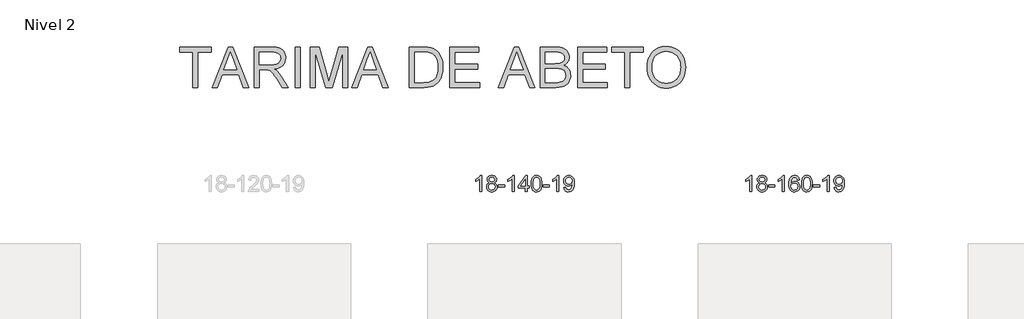
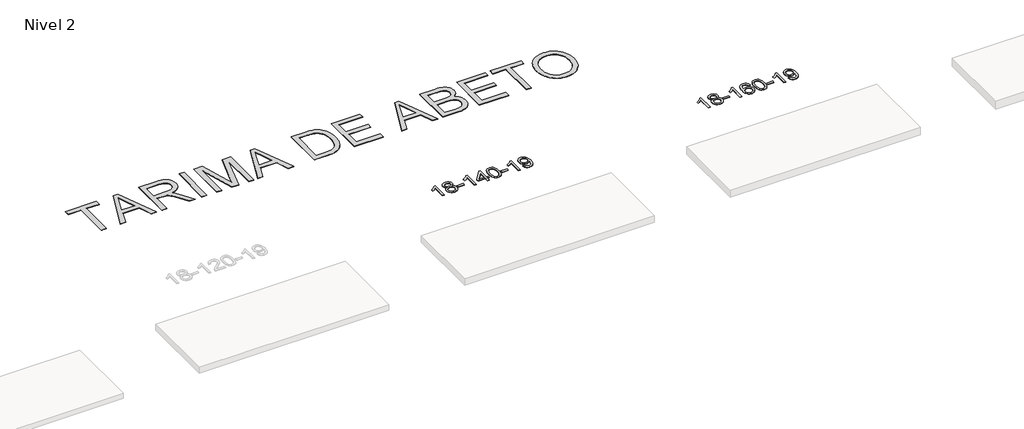
# One storey, part 46 of 51: 3 proxies.
"""IFC4 building model written with IfcOpenShell, lengths in millimetres."""

from ifc_helpers import new_model, si_unit, frame, origin, place, context, project, spatial, polyline, outline, extrude, element, save

model = new_model("IFC4")

# Units and contexts
model_context = context("Model", 3, world=origin())
ifc_project = project(units=[si_unit("LENGTHUNIT", "METRE", prefix="MILLI")], contexts=[model_context])

# Site, building, storey
site = spatial("IfcSite", under=ifc_project)
building = spatial("IfcBuilding", under=site)
storey = spatial("IfcBuildingStorey", under=building, Name="Nivel 2", Elevation=3000.0)

# Proxies
placement = place(None, origin())
element("IfcBuildingElementProxy", 1, Name="Texto de modelo 1", ObjectType="Texto de modelo 1", at=placement, inside=storey, context=model_context, shape_type="SweptSolid", body=[
    extrude(outline(polyline([(31530.5538842, -16247.1632381), (31480.3257291, -16247.1632381), (31480.3257291, -15934.0220838), (31459.3564554, -15950.9814438), (31432.7463244, -15967.9162783), (31379.869419, -15993.2756105), (31379.869419, -15945.7943077), (31419.3186316, -15924.3345246), (31453.494869, -15898.8035142), (31480.4360937, -15871.6538229), (31498.1802686, -15845.3379975), (31530.5538842, -15845.3379975), (31530.5538842, -16247.1632381)])), frame((0.0, 0.0, 3000.0), z_axis=(0.0, 0.0, 1.0), x_axis=(1.0, 0.0, 0.0)), (0.0, 0.0, 1.0), 10.0),
    extrude(outline(polyline([(31723.0297441, -16025.8454298), (31696.1375702, -16012.601678), (31677.2652239, -15994.6490366), (31666.1183994, -15972.3553877), (31662.4027913, -15946.0886133), (31664.4261423, -15925.6037175), (31670.4961952, -15906.8233417), (31680.61295, -15889.7474857), (31694.7764069, -15874.3761497), (31712.3059839, -15861.6719581), (31732.5210996, -15852.5975356), (31755.4217538, -15847.152882), (31781.0079465, -15845.3379975), (31806.7167666, -15847.1958016), (31829.7890991, -15852.7692138), (31850.2249439, -15862.0582342), (31868.0243011, -15875.0628627), (31882.4452753, -15890.7346357), (31892.7459712, -15908.0250895), (31898.9263887, -15926.9342241), (31900.9865279, -15947.4620394), (31897.3199707, -15972.8826853), (31886.320299, -15994.7961894), (31867.8648856, -16012.6384662), (31841.8311031, -16025.8454298), (31872.7454534, -16041.7747202), (31895.2475688, -16065.2333288), (31908.9695672, -16095.0930841), (31913.5435667, -16130.2258146), (31911.274961, -16155.2785785), (31904.4691441, -16178.2466777), (31893.1261159, -16199.1301123), (31877.2458765, -16217.9288823), (31857.6622916, -16233.4657652), (31835.2092272, -16244.5635387), (31809.8866831, -16251.2222028), (31781.6946596, -16253.4417575), (31753.502636, -16251.2130058), (31728.180092, -16244.5267505), (31705.7270276, -16233.3829917), (31686.1434427, -16217.7817295), (31670.2632032, -16198.8511351), (31658.9201751, -16177.7193802), (31652.1143582, -16154.3864646), (31649.8457525, -16128.8523885), (31654.603693, -16092.3584946), (31668.8775144, -16062.3393238), (31691.9314528, -16039.8249457), (31723.0297441, -16025.8454298)]), holes=[polyline([(31712.6309464, -15947.5601413), (31717.0823185, -15969.4859082), (31730.4364349, -15986.9970911), (31752.3008882, -15998.4750094), (31782.2832708, -16002.3009821), (31811.5666776, -15998.4995349), (31833.100037, -15987.095193), (31846.3437889, -15970.1726212), (31850.7583728, -15949.8164842), (31846.1966361, -15928.6877949), (31832.5114259, -15911.2134001), (31810.6837608, -15899.4779645), (31781.6946596, -15895.5661526), (31752.5216174, -15899.3921254), (31730.7307405, -15910.8700436), (31717.1558949, -15927.6945135), (31712.6309464, -15947.5601413)]), polyline([(31700.0739076, -16127.0865549), (31702.170835, -16146.3022578), (31708.4616171, -16164.904824), (31720.0744254, -16181.12842), (31738.1374314, -16193.2072122), (31759.7688927, -16200.7120049), (31782.087067, -16203.2136024), (31816.2755671, -16197.9528899), (31830.1692438, -16191.3769993), (31841.9292049, -16182.1707523), (31857.9688599, -16158.2706854), (31863.3154116, -16128.6561848), (31857.7971817, -16098.5389121), (31841.2424919, -16074.1115476), (31829.1636997, -16064.6692431), (31815.0002429, -16057.9247398), (31780.4193353, -16052.5291372), (31746.7090818, -16057.8511634), (31732.971755, -16064.5036962), (31721.3129614, -16073.817242), (31705.3836711, -16097.7786226), (31700.0739076, -16127.0865549)])]), frame((0.0, 0.0, 3000.0), z_axis=(0.0, 0.0, 1.0), x_axis=(1.0, 0.0, 0.0)), (0.0, 0.0, 1.0), 10.0),
    extrude(outline(polyline([(31944.9361636, -16127.8713698), (31944.9361636, -16077.6432148), (32101.8991482, -16077.6432148), (32101.8991482, -16127.8713698), (31944.9361636, -16127.8713698)])), frame((0.0, 0.0, 3000.0), z_axis=(0.0, 0.0, 1.0), x_axis=(1.0, 0.0, 0.0)), (0.0, 0.0, 1.0), 10.0),
    extrude(outline(polyline([(32334.2043654, -16247.1632381), (32283.9762103, -16247.1632381), (32283.9762103, -15934.0220838), (32263.0069366, -15950.9814438), (32236.3968056, -15967.9162783), (32183.5199002, -15993.2756105), (32183.5199002, -15945.7943077), (32222.9691128, -15924.3345246), (32257.1453502, -15898.8035142), (32284.0865749, -15871.6538229), (32301.8307498, -15845.3379975), (32334.2043654, -15845.3379975), (32334.2043654, -16247.1632381)])), frame((0.0, 0.0, 3000.0), z_axis=(0.0, 0.0, 1.0), x_axis=(1.0, 0.0, 0.0)), (0.0, 0.0, 1.0), 10.0),
    extrude(outline(polyline([(32616.7377377, -16247.1632381), (32616.7377377, -16152.9854474), (32434.6606756, -16152.9854474), (32434.6606756, -16102.7572923), (32629.2947765, -15851.6165169), (32666.9658928, -15851.6165169), (32666.9658928, -16102.7572923), (32717.1940479, -16102.7572923), (32717.1940479, -16152.9854474), (32666.9658928, -16152.9854474), (32666.9658928, -16247.1632381), (32616.7377377, -16247.1632381)]), holes=[polyline([(32616.7377377, -16102.7572923), (32616.7377377, -15947.5601413), (32496.4648507, -16102.7572923), (32616.7377377, -16102.7572923)])]), frame((0.0, 0.0, 3000.0), z_axis=(0.0, 0.0, 1.0), x_axis=(1.0, 0.0, 0.0)), (0.0, 0.0, 1.0), 10.0),
    extrude(outline(polyline([(32761.1436835, -16049.4879794), (32764.8347662, -15985.1699439), (32775.9080143, -15933.874931), (32794.2530631, -15894.8181259), (32806.1111261, -15879.5847456), (32819.7595481, -15867.2147135), (32835.2443144, -15857.6436503), (32852.6114103, -15850.8071765), (32892.9925906, -15845.3379975), (32923.9437291, -15848.5753591), (32951.6575061, -15858.2874438), (32974.8340718, -15874.0941068), (32992.1735765, -15895.6152035), (33005.2701755, -15922.6667929), (33015.7180242, -15955.064934), (33022.5606293, -15996.2064038), (33024.8414977, -16049.4879794), (33021.1872032, -16113.4381329), (33010.2243197, -16164.6105184), (32991.9896355, -16203.7041118), (32980.1591637, -16218.9834773), (32966.5199387, -16231.4178887), (32951.0167783, -16241.0533313), (32933.5945001, -16247.9357903), (32892.9925906, -16253.4417575), (32865.3278646, -16251.0505246), (32840.8023982, -16243.8768256), (32819.4161916, -16231.9206608), (32801.1692446, -16215.18203), (32783.6580616, -16184.9237359), (32771.1500738, -16147.2219628), (32763.6452811, -16102.0767106), (32761.1436835, -16049.4879794)]), holes=[polyline([(32811.3718386, -16049.3898775), (32812.8433666, -16093.0544047), (32817.2579505, -16128.3986674), (32824.6155904, -16155.4226656), (32834.9162863, -16174.1263994), (32847.3752232, -16186.8520507), (32861.2075862, -16195.9418017), (32876.4133754, -16201.3956523), (32892.9925906, -16203.2136024), (32909.5718059, -16201.3895209), (32924.777595, -16195.9172762), (32938.609958, -16186.7968684), (32951.0688949, -16174.0282975), (32961.3695908, -16155.2939069), (32968.7272307, -16128.27604), (32973.1418146, -16092.9746969), (32974.6133426, -16049.3898775), (32973.1908656, -16006.881113), (32968.9234344, -15972.159184), (32961.8110492, -15945.2240906), (32951.8537098, -15926.0758327), (32939.6032394, -15912.7278477), (32925.6114609, -15903.1935726), (32909.8783742, -15897.4730076), (32892.4039794, -15895.5661526), (32875.9106033, -15897.2461471), (32860.9623316, -15902.2861304), (32847.5591642, -15910.6861026), (32835.7011012, -15922.4460637), (32825.0570488, -15943.2927101), (32817.4541543, -15971.3988946), (32812.8924175, -16006.764617), (32811.3718386, -16049.3898775)])]), frame((0.0, 0.0, 3000.0), z_axis=(0.0, 0.0, 1.0), x_axis=(1.0, 0.0, 0.0)), (0.0, 0.0, 1.0), 10.0),
    extrude(outline(polyline([(33056.2340946, -16127.8713698), (33056.2340946, -16077.6432148), (33213.1970792, -16077.6432148), (33213.1970792, -16127.8713698), (33056.2340946, -16127.8713698)])), frame((0.0, 0.0, 3000.0), z_axis=(0.0, 0.0, 1.0), x_axis=(1.0, 0.0, 0.0)), (0.0, 0.0, 1.0), 10.0),
    extrude(outline(polyline([(33445.5022964, -16247.1632381), (33395.2741414, -16247.1632381), (33395.2741414, -15934.0220838), (33374.3048676, -15950.9814438), (33347.6947367, -15967.9162783), (33294.8178312, -15993.2756105), (33294.8178312, -15945.7943077), (33334.2670438, -15924.3345246), (33368.4432812, -15898.8035142), (33395.384506, -15871.6538229), (33413.1286809, -15845.3379975), (33445.5022964, -15845.3379975), (33445.5022964, -16247.1632381)])), frame((0.0, 0.0, 3000.0), z_axis=(0.0, 0.0, 1.0), x_axis=(1.0, 0.0, 0.0)), (0.0, 0.0, 1.0), 10.0),
    extrude(outline(polyline([(33571.0726841, -16146.706928), (33621.3008392, -16140.4284086), (33629.8847524, -16168.9392632), (33643.8642682, -16188.3511698), (33662.8960301, -16199.4979943), (33686.6366815, -16203.2136024), (33707.9370491, -16200.8223695), (33727.2999047, -16193.6486706), (33743.3886107, -16182.4773207), (33754.8665289, -16168.0931346), (33771.2985914, -16124.4378045), (33776.7432449, -16096.0373145), (33778.5581294, -16066.1652965), (33778.2638238, -16056.35511), (33760.8630054, -16077.5941638), (33738.0911099, -16094.4186337), (33711.5913435, -16105.3815172), (33683.0069125, -16109.0358117), (33659.1466995, -16106.8039942), (33637.2056041, -16100.1085419), (33617.1836265, -16088.9494547), (33599.0807667, -16073.3267327), (33584.0803783, -16054.0558475), (33573.3658152, -16031.952271), (33566.9370774, -16007.0160031), (33564.7941647, -15979.2470438), (33567.0413106, -15950.5522482), (33573.7827482, -15924.8005085), (33585.0184774, -15901.9918248), (33600.7484984, -15882.1261971), (33619.8630337, -15866.0313598), (33641.2523061, -15854.5350474), (33664.9163154, -15847.63726), (33690.8550618, -15845.3379975), (33728.3177116, -15850.5864473), (33762.4203725, -15866.3317967), (33790.9434899, -15891.7892308), (33811.667509, -15926.1739346), (33824.2858614, -15973.7042884), (33828.4919789, -16038.5986723), (33824.2981241, -16107.4048682), (33811.7165599, -16160.5883419), (33790.8576508, -16200.5525893), (33777.3655786, -16216.4788141), (33761.8317614, -16229.7011061), (33744.5688987, -16240.0876411), (33725.8896904, -16247.5065947), (33684.2822368, -16253.4417575), (33661.7249391, -16251.6912524), (33641.3381452, -16246.4397369), (33623.1218551, -16237.6872111), (33607.0760687, -16225.433675), (33593.6054563, -16210.0102223), (33583.1146881, -16191.7479469), (33575.603764, -16170.6468488), (33571.0726841, -16146.706928)]), holes=[polyline([(33778.2638238, -15978.0698214), (33772.8436957, -15944.0284741), (33766.0685357, -15929.9508564), (33756.5833116, -15917.8352761), (33744.8540073, -15908.0925345), (33731.3466067, -15901.1334335), (33698.9975166, -15895.5661526), (33681.3882317, -15897.0652717), (33665.4466786, -15901.5626291), (33651.1728572, -15909.0582248), (33638.5667675, -15919.5520587), (33628.2660716, -15932.4309942), (33620.9084317, -15947.0818947), (33616.4938478, -15963.5047601), (33615.0223198, -15981.6995904), (33620.5896007, -16012.7365681), (33627.5487018, -16025.8546269), (33637.2914433, -16037.372399), (33649.413155, -16046.7503242), (33663.5091668, -16053.4488422), (33697.6240905, -16058.8076566), (33729.7156632, -16053.4488422), (33755.553242, -16037.372399), (33765.4891215, -16025.6277663), (33772.5861784, -16011.8291258), (33778.2638238, -15978.0698214)])]), frame((0.0, 0.0, 3000.0), z_axis=(0.0, 0.0, 1.0), x_axis=(1.0, 0.0, 0.0)), (0.0, 0.0, 1.0), 10.0),
])
element("IfcBuildingElementProxy", 2, Name="Texto de modelo 1", ObjectType="Texto de modelo 1", at=placement, inside=storey, context=model_context, shape_type="SweptSolid", body=[
    extrude(outline(polyline([(38245.494419, -16247.1632381), (38195.266264, -16247.1632381), (38195.266264, -15934.0220838), (38174.2969902, -15950.9814438), (38147.6868593, -15967.9162783), (38094.8099538, -15993.2756105), (38094.8099538, -15945.7943077), (38134.2591664, -15924.3345246), (38168.4354038, -15898.8035142), (38195.3766286, -15871.6538229), (38213.1208035, -15845.3379975), (38245.494419, -15845.3379975), (38245.494419, -16247.1632381)])), frame((0.0, 0.0, 3000.0), z_axis=(0.0, 0.0, 1.0), x_axis=(1.0, 0.0, 0.0)), (0.0, 0.0, 1.0), 10.0),
    extrude(outline(polyline([(38437.9702789, -16025.8454298), (38411.0781051, -16012.601678), (38392.2057587, -15994.6490366), (38381.0589343, -15972.3553877), (38377.3433261, -15946.0886133), (38379.3666771, -15925.6037175), (38385.43673, -15906.8233417), (38395.5534849, -15889.7474857), (38409.7169417, -15874.3761497), (38427.2465188, -15861.6719581), (38447.4616344, -15852.5975356), (38470.3622886, -15847.152882), (38495.9484814, -15845.3379975), (38521.6573014, -15847.1958016), (38544.7296339, -15852.7692138), (38565.1654787, -15862.0582342), (38582.9648359, -15875.0628627), (38597.3858102, -15890.7346357), (38607.686506, -15908.0250895), (38613.8669235, -15926.9342241), (38615.9270627, -15947.4620394), (38612.2605055, -15972.8826853), (38601.2608338, -15994.7961894), (38582.8054204, -16012.6384662), (38556.7716379, -16025.8454298), (38587.6859882, -16041.7747202), (38610.1881036, -16065.2333288), (38623.910102, -16095.0930841), (38628.4841015, -16130.2258146), (38626.2154958, -16155.2785785), (38619.4096789, -16178.2466777), (38608.0666507, -16199.1301123), (38592.1864113, -16217.9288823), (38572.6028264, -16233.4657652), (38550.149762, -16244.5635387), (38524.827218, -16251.2222028), (38496.6351944, -16253.4417575), (38468.4431708, -16251.2130058), (38443.1206268, -16244.5267505), (38420.6675624, -16233.3829917), (38401.0839775, -16217.7817295), (38385.2037381, -16198.8511351), (38373.8607099, -16177.7193802), (38367.054893, -16154.3864646), (38364.7862873, -16128.8523885), (38369.5442278, -16092.3584946), (38383.8180492, -16062.3393238), (38406.8719876, -16039.8249457), (38437.9702789, -16025.8454298)]), holes=[polyline([(38427.5714812, -15947.5601413), (38432.0228533, -15969.4859082), (38445.3769697, -15986.9970911), (38467.241423, -15998.4750094), (38497.2238056, -16002.3009821), (38526.5072124, -15998.4995349), (38548.0405719, -15987.095193), (38561.2843237, -15970.1726212), (38565.6989076, -15949.8164842), (38561.1371709, -15928.6877949), (38547.4519607, -15911.2134001), (38525.6242956, -15899.4779645), (38496.6351944, -15895.5661526), (38467.4621522, -15899.3921254), (38445.6712753, -15910.8700436), (38432.0964297, -15927.6945135), (38427.5714812, -15947.5601413)]), polyline([(38415.0144424, -16127.0865549), (38417.1113698, -16146.3022578), (38423.4021519, -16164.904824), (38435.0149602, -16181.12842), (38453.0779662, -16193.2072122), (38474.7094275, -16200.7120049), (38497.0276019, -16203.2136024), (38531.216102, -16197.9528899), (38545.1097786, -16191.3769993), (38556.8697398, -16182.1707523), (38572.9093947, -16158.2706854), (38578.2559464, -16128.6561848), (38572.7377165, -16098.5389121), (38556.1830267, -16074.1115476), (38544.1042345, -16064.6692431), (38529.9407777, -16057.9247398), (38495.3598702, -16052.5291372), (38461.6496167, -16057.8511634), (38447.9122898, -16064.5036962), (38436.2534963, -16073.817242), (38420.3242059, -16097.7786226), (38415.0144424, -16127.0865549)])]), frame((0.0, 0.0, 3000.0), z_axis=(0.0, 0.0, 1.0), x_axis=(1.0, 0.0, 0.0)), (0.0, 0.0, 1.0), 10.0),
    extrude(outline(polyline([(38659.8766984, -16127.8713698), (38659.8766984, -16077.6432148), (38816.839683, -16077.6432148), (38816.839683, -16127.8713698), (38659.8766984, -16127.8713698)])), frame((0.0, 0.0, 3000.0), z_axis=(0.0, 0.0, 1.0), x_axis=(1.0, 0.0, 0.0)), (0.0, 0.0, 1.0), 10.0),
    extrude(outline(polyline([(39049.1449002, -16247.1632381), (38998.9167452, -16247.1632381), (38998.9167452, -15934.0220838), (38977.9474714, -15950.9814438), (38951.3373404, -15967.9162783), (38898.460435, -15993.2756105), (38898.460435, -15945.7943077), (38937.9096476, -15924.3345246), (38972.085885, -15898.8035142), (38999.0271098, -15871.6538229), (39016.7712847, -15845.3379975), (39049.1449002, -15845.3379975), (39049.1449002, -16247.1632381)])), frame((0.0, 0.0, 3000.0), z_axis=(0.0, 0.0, 1.0), x_axis=(1.0, 0.0, 0.0)), (0.0, 0.0, 1.0), 10.0),
    extrude(outline(polyline([(39425.8560633, -15952.0728271), (39375.6279082, -15958.3513465), (39367.5345043, -15933.4579981), (39356.5961463, -15916.4618499), (39333.8119881, -15900.7900769), (39306.2698894, -15895.5661526), (39282.9216454, -15898.6073104), (39260.9468276, -15907.7307839), (39242.0744812, -15926.9464868), (39226.6602256, -15953.3972023), (39216.2491652, -15990.8108012), (39212.3864042, -16042.9151544), (39232.5340748, -16019.4074949), (39256.6793964, -16002.8405424), (39283.4734684, -15993.0180931), (39311.5673901, -15989.7439434), (39335.700449, -15991.9818922), (39357.9695725, -15998.6957386), (39378.3747604, -16009.8854826), (39396.916013, -16025.5511242), (39412.3241372, -16044.7606958), (39423.3299403, -16066.5822294), (39429.9334221, -16091.0157253), (39432.1345827, -16118.0611833), (39427.9897789, -16154.0277797), (39415.5553674, -16187.3701512), (39395.861418, -16215.6480139), (39369.938, -16236.4210839), (39338.962336, -16249.1865891), (39304.1116484, -16253.4417575), (39274.1691196, -16250.6213289), (39247.1267273, -16242.160043), (39222.9844714, -16228.0578999), (39201.7423518, -16208.3148994), (39184.4243069, -16182.0971759), (39172.0542748, -16148.5708634), (39164.6322556, -16107.735962), (39162.1582492, -16059.5924715), (39164.9051014, -16005.6180515), (39173.1456581, -15959.5530943), (39186.8799192, -15921.3976), (39206.1078848, -15891.1515687), (39226.9483999, -15871.1081313), (39251.1121156, -15856.7913903), (39278.599032, -15848.2013457), (39309.4091491, -15845.3379975), (39332.5427952, -15847.1099625), (39353.4814121, -15852.4258573), (39372.2249998, -15861.285682), (39388.7735582, -15873.6894366), (39402.6794976, -15889.2201882), (39413.4952283, -15907.4610038), (39421.2207502, -15928.4118834), (39425.8560633, -15952.0728271)]), holes=[polyline([(39212.3864042, -16117.2763684), (39215.292672, -16139.5332291), (39224.0114753, -16160.7845457), (39237.5495327, -16179.0560181), (39254.9135629, -16192.3733463), (39275.8705739, -16200.5035384), (39300.1875737, -16203.2136024), (39333.3337415, -16197.5972707), (39347.248878, -16190.5768559), (39359.3920495, -16180.7482753), (39369.2420899, -16168.5100676), (39376.2778331, -16154.2607716), (39381.9064276, -16119.728915), (39376.3514095, -16086.5827472), (39369.4076368, -16072.9619164), (39359.6863551, -16061.3092542), (39347.5063954, -16051.9742485), (39333.1865887, -16045.3063874), (39298.1274346, -16039.9720985), (39265.0303177, -16045.3063874), (39237.353329, -16061.3092542), (39226.4302994, -16072.8086322), (39218.6281354, -16085.9696106), (39213.946837, -16100.7921893), (39212.3864042, -16117.2763684)])]), frame((0.0, 0.0, 3000.0), z_axis=(0.0, 0.0, 1.0), x_axis=(1.0, 0.0, 0.0)), (0.0, 0.0, 1.0), 10.0),
    extrude(outline(polyline([(39476.0842184, -16049.4879794), (39479.7753011, -15985.1699439), (39490.8485491, -15933.874931), (39509.1935979, -15894.8181259), (39521.0516609, -15879.5847456), (39534.7000829, -15867.2147135), (39550.1848492, -15857.6436503), (39567.5519451, -15850.8071765), (39607.9331254, -15845.3379975), (39638.884264, -15848.5753591), (39666.5980409, -15858.2874438), (39689.7746066, -15874.0941068), (39707.1141113, -15895.6152035), (39720.2107104, -15922.6667929), (39730.658559, -15955.064934), (39737.5011641, -15996.2064038), (39739.7820325, -16049.4879794), (39736.127738, -16113.4381329), (39725.1648546, -16164.6105184), (39706.9301703, -16203.7041118), (39695.0996985, -16218.9834773), (39681.4604735, -16231.4178887), (39665.9573131, -16241.0533313), (39648.535035, -16247.9357903), (39607.9331254, -16253.4417575), (39580.2683994, -16251.0505246), (39555.7429331, -16243.8768256), (39534.3567264, -16231.9206608), (39516.1097794, -16215.18203), (39498.5985965, -16184.9237359), (39486.0906086, -16147.2219628), (39478.5858159, -16102.0767106), (39476.0842184, -16049.4879794)]), holes=[polyline([(39526.3123734, -16049.3898775), (39527.7839014, -16093.0544047), (39532.1984854, -16128.3986674), (39539.5561253, -16155.4226656), (39549.8568211, -16174.1263994), (39562.315758, -16186.8520507), (39576.1481211, -16195.9418017), (39591.3539102, -16201.3956523), (39607.9331254, -16203.2136024), (39624.5123407, -16201.3895209), (39639.7181298, -16195.9172762), (39653.5504928, -16186.7968684), (39666.0094297, -16174.0282975), (39676.3101256, -16155.2939069), (39683.6677655, -16128.27604), (39688.0823495, -16092.9746969), (39689.5538774, -16049.3898775), (39688.1314004, -16006.881113), (39683.8639692, -15972.159184), (39676.751584, -15945.2240906), (39666.7942447, -15926.0758327), (39654.5437742, -15912.7278477), (39640.5519957, -15903.1935726), (39624.818909, -15897.4730076), (39607.3445142, -15895.5661526), (39590.8511381, -15897.2461471), (39575.9028664, -15902.2861304), (39562.499699, -15910.6861026), (39550.6416361, -15922.4460637), (39539.9975837, -15943.2927101), (39532.3946891, -15971.3988946), (39527.8329524, -16006.764617), (39526.3123734, -16049.3898775)])]), frame((0.0, 0.0, 3000.0), z_axis=(0.0, 0.0, 1.0), x_axis=(1.0, 0.0, 0.0)), (0.0, 0.0, 1.0), 10.0),
    extrude(outline(polyline([(39771.1746294, -16127.8713698), (39771.1746294, -16077.6432148), (39928.137614, -16077.6432148), (39928.137614, -16127.8713698), (39771.1746294, -16127.8713698)])), frame((0.0, 0.0, 3000.0), z_axis=(0.0, 0.0, 1.0), x_axis=(1.0, 0.0, 0.0)), (0.0, 0.0, 1.0), 10.0),
    extrude(outline(polyline([(40160.4428313, -16247.1632381), (40110.2146762, -16247.1632381), (40110.2146762, -15934.0220838), (40089.2454025, -15950.9814438), (40062.6352715, -15967.9162783), (40009.758366, -15993.2756105), (40009.758366, -15945.7943077), (40049.2075787, -15924.3345246), (40083.383816, -15898.8035142), (40110.3250408, -15871.6538229), (40128.0692157, -15845.3379975), (40160.4428313, -15845.3379975), (40160.4428313, -16247.1632381)])), frame((0.0, 0.0, 3000.0), z_axis=(0.0, 0.0, 1.0), x_axis=(1.0, 0.0, 0.0)), (0.0, 0.0, 1.0), 10.0),
    extrude(outline(polyline([(40286.0132189, -16146.706928), (40336.241374, -16140.4284086), (40344.8252872, -16168.9392632), (40358.8048031, -16188.3511698), (40377.8365649, -16199.4979943), (40401.5772164, -16203.2136024), (40422.8775839, -16200.8223695), (40442.2404396, -16193.6486706), (40458.3291455, -16182.4773207), (40469.8070637, -16168.0931346), (40486.2391262, -16124.4378045), (40491.6837797, -16096.0373145), (40493.4986642, -16066.1652965), (40493.2043586, -16056.35511), (40475.8035403, -16077.5941638), (40453.0316448, -16094.4186337), (40426.5318784, -16105.3815172), (40397.9474473, -16109.0358117), (40374.0872343, -16106.8039942), (40352.1461389, -16100.1085419), (40332.1241614, -16088.9494547), (40314.0213015, -16073.3267327), (40299.0209132, -16054.0558475), (40288.3063501, -16031.952271), (40281.8776122, -16007.0160031), (40279.7346996, -15979.2470438), (40281.9818454, -15950.5522482), (40288.723283, -15924.8005085), (40299.9590123, -15901.9918248), (40315.6890332, -15882.1261971), (40334.8035686, -15866.0313598), (40356.1928409, -15854.5350474), (40379.8568502, -15847.63726), (40405.7955966, -15845.3379975), (40443.2582464, -15850.5864473), (40477.3609074, -15866.3317967), (40505.8840247, -15891.7892308), (40526.6080438, -15926.1739346), (40539.2263962, -15973.7042884), (40543.4325137, -16038.5986723), (40539.238659, -16107.4048682), (40526.6570947, -16160.5883419), (40505.7981856, -16200.5525893), (40492.3061134, -16216.4788141), (40476.7722962, -16229.7011061), (40459.5094336, -16240.0876411), (40440.8302253, -16247.5065947), (40399.2227716, -16253.4417575), (40376.6654739, -16251.6912524), (40356.27868, -16246.4397369), (40338.0623899, -16237.6872111), (40322.0166035, -16225.433675), (40308.5459912, -16210.0102223), (40298.0552229, -16191.7479469), (40290.5442989, -16170.6468488), (40286.0132189, -16146.706928)]), holes=[polyline([(40493.2043586, -15978.0698214), (40487.7842306, -15944.0284741), (40481.0090705, -15929.9508564), (40471.5238464, -15917.8352761), (40459.7945421, -15908.0925345), (40446.2871415, -15901.1334335), (40413.9380514, -15895.5661526), (40396.3287666, -15897.0652717), (40380.3872134, -15901.5626291), (40366.113392, -15909.0582248), (40353.5073023, -15919.5520587), (40343.2066065, -15932.4309942), (40335.8489666, -15947.0818947), (40331.4343826, -15963.5047601), (40329.9628546, -15981.6995904), (40335.5301355, -16012.7365681), (40342.4892366, -16025.8546269), (40352.2319781, -16037.372399), (40364.3536898, -16046.7503242), (40378.4497016, -16053.4488422), (40412.5646253, -16058.8076566), (40444.656198, -16053.4488422), (40470.4937768, -16037.372399), (40480.4296564, -16025.6277663), (40487.5267132, -16011.8291258), (40493.2043586, -15978.0698214)])]), frame((0.0, 0.0, 3000.0), z_axis=(0.0, 0.0, 1.0), x_axis=(1.0, 0.0, 0.0)), (0.0, 0.0, 1.0), 10.0),
])
element("IfcBuildingElementProxy", 3, Name="Texto de modelo 2", ObjectType="Texto de modelo 2", at=placement, inside=storey, context=model_context, shape_type="SweptSolid", body=[
    extrude(outline(polyline([(24352.6898687, -13655.6300587), (24352.6898687, -12776.6373449), (24023.067601, -12776.6373449), (24023.067601, -12651.0669572), (24807.882524, -12651.0669572), (24807.882524, -12776.6373449), (24478.2602563, -12776.6373449), (24478.2602563, -13655.6300587), (24352.6898687, -13655.6300587)])), frame((0.0, 0.0, 3000.0), z_axis=(0.0, 0.0, 1.0), x_axis=(1.0, 0.0, 0.0)), (0.0, 0.0, 1.0), 10.0),
    extrude(outline(polyline([(24832.1627357, -13655.6300587), (25233.1541104, -12651.0669572), (25340.0851437, -12651.0669572), (25741.0765184, -13655.6300587), (25608.3937455, -13655.6300587), (25493.3693084, -13341.7040895), (25079.6246911, -13341.7040895), (24964.8455086, -13655.6300587), (24832.1627357, -13655.6300587)]), holes=[polyline([(25125.7325679, -13216.1337018), (25447.5066863, -13216.1337018), (25357.0077155, -12969.1622557), (25286.6196271, -12776.6373449), (25224.0796879, -12947.5798454), (25125.7325679, -13216.1337018)])]), frame((0.0, 0.0, 3000.0), z_axis=(0.0, 0.0, 1.0), x_axis=(1.0, 0.0, 0.0)), (0.0, 0.0, 1.0), 10.0),
    extrude(outline(polyline([(25875.2308194, -13655.6300587), (25875.2308194, -12651.0669572), (26308.1053003, -12651.0669572), (26370.2390365, -12652.7607473), (26424.4479813, -12657.8421173), (26470.7321348, -12666.3110674), (26509.091497, -12678.1675976), (26541.7563525, -12694.3237485), (26570.9569859, -12715.6915611), (26596.6933971, -12742.2710352), (26618.9655863, -12774.062171), (26636.9381546, -12809.3558499), (26649.7757034, -12846.4429535), (26657.4782326, -12885.3234819), (26660.0457424, -12925.997435), (26655.7921068, -12977.5928848), (26643.0312001, -13024.9576917), (26621.7630223, -13068.0918556), (26591.9875733, -13106.9953766), (26553.3216428, -13140.4266529), (26505.3820203, -13167.1440828), (26448.1687058, -13187.1476663), (26381.6816994, -13200.4374034), (26423.0684238, -13227.47673), (26453.0508064, -13254.1481747), (26504.4929721, -13315.1552722), (26554.8314918, -13383.3973823), (26722.3404269, -13655.6300587), (26576.4139022, -13655.6300587), (26445.6931665, -13447.4088495), (26393.3926096, -13367.9463385), (26351.2701211, -13309.5757286), (26316.1680474, -13269.3846206), (26284.9287347, -13244.4606155), (26255.3448909, -13229.8373062), (26225.2092241, -13220.5482858), (26152.3685891, -13216.1337018), (26000.801207, -13216.1337018), (26000.801207, -13655.6300587), (25875.2308194, -13655.6300587)]), holes=[polyline([(26000.801207, -13090.5633142), (26281.8630514, -13090.5633142), (26362.5824925, -13086.1180734), (26425.2144021, -13072.7823511), (26450.3989904, -13062.5582973), (26472.3646112, -13049.667099), (26491.1112645, -13034.1087563), (26506.6389504, -13015.8832691), (26518.8173773, -12995.8873499), (26527.5162536, -12975.0177108), (26532.7355794, -12953.2743521), (26534.4753547, -12930.6572736), (26531.1567525, -12898.5442411), (26521.2009461, -12869.4049214), (26504.6079352, -12843.2393145), (26481.3777201, -12820.0474204), (26450.973806, -12801.0555124), (26412.8596985, -12787.4898638), (26367.0353975, -12779.3504746), (26313.5009029, -12776.6373449), (26000.801207, -12776.6373449), (26000.801207, -13090.5633142)])]), frame((0.0, 0.0, 3000.0), z_axis=(0.0, 0.0, 1.0), x_axis=(1.0, 0.0, 0.0)), (0.0, 0.0, 1.0), 10.0),
    extrude(outline(polyline([(26895.4902193, -13655.6300587), (26895.4902193, -12651.0669572), (27021.060607, -12651.0669572), (27021.060607, -13655.6300587), (26895.4902193, -13655.6300587)])), frame((0.0, 0.0, 3000.0), z_axis=(0.0, 0.0, 1.0), x_axis=(1.0, 0.0, 0.0)), (0.0, 0.0, 1.0), 10.0),
    extrude(outline(polyline([(27272.2013824, -13655.6300587), (27272.2013824, -12651.0669572), (27488.2707409, -12651.0669572), (27693.7941488, -13359.1171706), (27735.242187, -13507.0057327), (27780.1237904, -13346.8544375), (27982.2136331, -12651.0669572), (28198.2829916, -12651.0669572), (28198.2829916, -13655.6300587), (28072.7126039, -13655.6300587), (28072.7126039, -12776.6373449), (27820.3455552, -13655.6300587), (27650.1388188, -13655.6300587), (27397.7717701, -12776.6373449), (27397.7717701, -13655.6300587), (27272.2013824, -13655.6300587)])), frame((0.0, 0.0, 3000.0), z_axis=(0.0, 0.0, 1.0), x_axis=(1.0, 0.0, 0.0)), (0.0, 0.0, 1.0), 10.0),
    extrude(outline(polyline([(28301.0446956, -13655.6300587), (28702.0360703, -12651.0669572), (28808.9671036, -12651.0669572), (29209.9584783, -13655.6300587), (29077.2757054, -13655.6300587), (28962.2512682, -13341.7040895), (28548.506651, -13341.7040895), (28433.7274685, -13655.6300587), (28301.0446956, -13655.6300587)]), holes=[polyline([(28594.6145277, -13216.1337018), (28916.3886462, -13216.1337018), (28825.8896753, -12969.1622557), (28755.5015869, -12776.6373449), (28692.9616477, -12947.5798454), (28594.6145277, -13216.1337018)])]), frame((0.0, 0.0, 3000.0), z_axis=(0.0, 0.0, 1.0), x_axis=(1.0, 0.0, 0.0)), (0.0, 0.0, 1.0), 10.0),
    extrude(outline(polyline([(29736.5202407, -13655.6300587), (29736.5202407, -12651.0669572), (30083.0650802, -12651.0669572), (30186.6238618, -12654.6844635), (30262.3462392, -12665.5369824), (30303.9475615, -12677.4778188), (30342.4218868, -12693.4347004), (30377.7692152, -12713.407627), (30409.9895466, -12737.3965988), (30447.2222702, -12773.326407), (30479.45793, -12813.9160538), (30506.6965261, -12859.1655392), (30528.9380583, -12909.0748632), (30546.2131837, -12963.1841733), (30558.552559, -13021.0336171), (30565.9561841, -13082.6231944), (30568.4240592, -13147.9529054), (30566.7532618, -13203.480094), (30561.7408696, -13255.7729868), (30553.3868826, -13304.8315837), (30541.6913008, -13350.6558847), (30511.1570952, -13431.4366395), (30493.038907, -13466.1018534), (30473.0199951, -13496.9502915), (30429.1194103, -13548.6683686), (30381.2947509, -13588.062399), (30326.3883632, -13617.2783607), (30261.2425932, -13638.4622323), (30185.7348137, -13651.3381021), (30099.7423973, -13655.6300587), (29736.5202407, -13655.6300587)]), holes=[polyline([(29862.0906284, -13530.0596711), (30084.2913535, -13530.0596711), (30176.2005386, -13525.5224598), (30213.8318011, -13519.8509457), (30245.9141767, -13511.910826), (30298.521302, -13490.0218472), (30320.3183102, -13476.2722577), (30339.1109488, -13460.6526013), (30362.2798503, -13435.4756773), (30382.7356221, -13406.2980365), (30400.4782642, -13373.1196791), (30415.5077765, -13335.9406049), (30427.4716055, -13294.684172), (30436.0171977, -13249.2737382), (30441.144553, -13199.7093036), (30442.8536715, -13145.9908681), (30439.5044125, -13073.0889194), (30429.4566355, -13009.1387659), (30412.7103405, -12954.1404076), (30389.2655275, -12908.0938445), (30361.0229202, -12869.9567444), (30329.8832421, -12838.6867748), (30295.8464934, -12814.2839358), (30258.9126739, -12796.7482273), (30226.9989108, -12787.9497163), (30186.6851755, -12781.6650655), (30080.8577882, -12776.6373449), (29862.0906284, -12776.6373449), (29862.0906284, -13530.0596711)])]), frame((0.0, 0.0, 3000.0), z_axis=(0.0, 0.0, 1.0), x_axis=(1.0, 0.0, 0.0)), (0.0, 0.0, 1.0), 10.0),
    extrude(outline(polyline([(30741.0833422, -13655.6300587), (30741.0833422, -12651.0669572), (31463.1130714, -12651.0669572), (31463.1130714, -12776.6373449), (30866.6537299, -12776.6373449), (30866.6537299, -13074.8670157), (31431.7204745, -13074.8670157), (31431.7204745, -13200.4374034), (30866.6537299, -13200.4374034), (30866.6537299, -13530.0596711), (31478.8093699, -13530.0596711), (31478.8093699, -13655.6300587), (30741.0833422, -13655.6300587)])), frame((0.0, 0.0, 3000.0), z_axis=(0.0, 0.0, 1.0), x_axis=(1.0, 0.0, 0.0)), (0.0, 0.0, 1.0), 10.0),
    extrude(outline(polyline([(31942.5859385, -13655.6300587), (32343.5773132, -12651.0669572), (32450.5083465, -12651.0669572), (32851.4997212, -13655.6300587), (32718.8169483, -13655.6300587), (32603.7925111, -13341.7040895), (32190.0478939, -13341.7040895), (32075.2687114, -13655.6300587), (31942.5859385, -13655.6300587)]), holes=[polyline([(32236.1557706, -13216.1337018), (32557.9298891, -13216.1337018), (32467.4309183, -12969.1622557), (32397.0428299, -12776.6373449), (32334.5028907, -12947.5798454), (32236.1557706, -13216.1337018)])]), frame((0.0, 0.0, 3000.0), z_axis=(0.0, 0.0, 1.0), x_axis=(1.0, 0.0, 0.0)), (0.0, 0.0, 1.0), 10.0),
    extrude(outline(polyline([(32985.6540221, -13655.6300587), (32985.6540221, -12651.0669572), (33368.9870611, -12651.0669572), (33424.5908918, -12652.9140314), (33474.4159096, -12658.455254), (33518.4621143, -12667.6906249), (33556.729506, -12680.6201442), (33590.1914391, -12697.3817676), (33619.8212682, -12718.1134509), (33645.6189931, -12742.815194), (33667.5846139, -12771.486997), (33685.1279865, -12802.5117119), (33697.658967, -12834.2721908), (33705.1775552, -12866.7684338), (33707.6837513, -12900.0004406), (33705.5760941, -12930.6955946), (33699.2531223, -12960.486372), (33688.714836, -12989.3727729), (33673.9612351, -13017.3547971), (33654.9463345, -13043.5587251), (33631.6241488, -13067.110837), (33603.9946782, -13088.0111328), (33572.0579224, -13106.2596126), (33609.9574322, -13122.4157636), (33643.2124317, -13143.4156941), (33671.822921, -13169.2594043), (33695.7889002, -13199.946894), (33714.7271587, -13234.54313), (33728.2544862, -13272.1130788), (33736.3708828, -13312.6567403), (33739.0763483, -13356.1741147), (33737.2292741, -13391.8356756), (33731.6880515, -13426.2249779), (33722.4526806, -13459.3420217), (33709.5231613, -13491.1868069), (33693.8651839, -13520.6020381), (33676.4444386, -13546.4304198), (33657.2609254, -13568.6719521), (33636.3146443, -13587.326635), (33613.1150859, -13603.1608892), (33587.1717411, -13616.9411356), (33527.0536917, -13638.339605), (33453.9984588, -13651.3074453), (33366.0440051, -13655.6300587), (32985.6540221, -13655.6300587)]), holes=[polyline([(33111.2244098, -13530.0596711), (33368.7418064, -13530.0596711), (33425.150379, -13528.8333977), (33461.9385786, -13525.1545778), (33505.1953698, -13514.2714021), (33540.7879529, -13497.8086828), (33569.7280031, -13474.2335783), (33593.0271962, -13442.0132469), (33608.3862695, -13402.5885597), (33613.5059606, -13357.400388), (33612.0037758, -13330.238434), (33607.4972213, -13304.91589), (33599.9862972, -13281.432756), (33589.4710036, -13259.7890319), (33575.5911224, -13240.6055187), (33557.9864361, -13224.5030172), (33536.6569446, -13211.4815274), (33511.6026479, -13201.5410494), (33481.7199, -13194.1910737), (33445.9050549, -13188.941091), (33356.4790733, -13184.7411049), (33111.2244098, -13184.7411049), (33111.2244098, -13530.0596711)]), polyline([(33111.2244098, -13059.1707172), (33340.5375201, -13059.1707172), (33420.7357951, -13056.4729159), (33474.4465664, -13048.379512), (33499.5315199, -13040.2324587), (33521.3208639, -13029.7708144), (33539.8145984, -13016.9945793), (33555.0127233, -13001.9037533), (33566.8692535, -12984.6056353), (33575.3382036, -12965.2075243), (33580.4195736, -12943.7094202), (33582.1133636, -12920.1113231), (33580.5345368, -12897.5172372), (33575.7980561, -12876.3333656), (33567.9039216, -12856.5597084), (33556.8521333, -12838.1962655), (33542.8572891, -12821.9251514), (33526.1339867, -12808.4284807), (33506.6822262, -12797.7062534), (33484.5020076, -12789.7584694), (33420.6131678, -12779.9176261), (33323.124439, -12776.6373449), (33111.2244098, -12776.6373449), (33111.2244098, -13059.1707172)])]), frame((0.0, 0.0, 3000.0), z_axis=(0.0, 0.0, 1.0), x_axis=(1.0, 0.0, 0.0)), (0.0, 0.0, 1.0), 10.0),
    extrude(outline(polyline([(33911.7356313, -13655.6300587), (33911.7356313, -12651.0669572), (34633.7653605, -12651.0669572), (34633.7653605, -12776.6373449), (34037.306019, -12776.6373449), (34037.306019, -13074.8670157), (34602.3727636, -13074.8670157), (34602.3727636, -13200.4374034), (34037.306019, -13200.4374034), (34037.306019, -13530.0596711), (34649.461659, -13530.0596711), (34649.461659, -13655.6300587), (33911.7356313, -13655.6300587)])), frame((0.0, 0.0, 3000.0), z_axis=(0.0, 0.0, 1.0), x_axis=(1.0, 0.0, 0.0)), (0.0, 0.0, 1.0), 10.0),
    extrude(outline(polyline([(35088.9580159, -13655.6300587), (35088.9580159, -12776.6373449), (34759.3357482, -12776.6373449), (34759.3357482, -12651.0669572), (35544.1506713, -12651.0669572), (35544.1506713, -12776.6373449), (35214.5284036, -12776.6373449), (35214.5284036, -13655.6300587), (35088.9580159, -13655.6300587)])), frame((0.0, 0.0, 3000.0), z_axis=(0.0, 0.0, 1.0), x_axis=(1.0, 0.0, 0.0)), (0.0, 0.0, 1.0), 10.0),
    extrude(outline(polyline([(35638.328462, -13166.5922598), (35640.4207909, -13105.9875332), (35646.6977774, -13048.7627224), (35657.1594217, -12994.9178275), (35671.8057236, -12944.4528484), (35690.6366832, -12897.3677851), (35713.6523005, -12853.6626377), (35740.8525756, -12813.3374061), (35772.2375083, -12776.3920903), (35806.9295468, -12743.3401923), (35844.0511394, -12714.695214), (35883.602286, -12690.4571555), (35925.5829866, -12670.6260167), (35969.9932412, -12655.2017976), (36016.8330498, -12644.1844983), (36066.1024124, -12637.5741187), (36117.8013291, -12635.3706588), (36185.3843173, -12639.5093312), (36249.564397, -12651.9253486), (36310.3415683, -12672.6187108), (36367.7158311, -12701.5894179), (36420.0777018, -12737.9637502), (36465.8176965, -12780.8679879), (36504.9358153, -12830.302131), (36537.4320582, -12886.2661795), (36562.9692001, -12947.4878749), (36581.2100157, -13012.6949585), (36592.154505, -13081.8874304), (36595.8026681, -13155.0652906), (36591.9628998, -13229.2088411), (36580.4435948, -13299.3363464), (36561.2447532, -13365.4478066), (36534.3663749, -13427.5432217), (36500.4445893, -13483.9824512), (36460.1155256, -13533.1253543), (36413.3791838, -13574.9719313), (36360.2355639, -13609.522182), (36302.7769948, -13636.5615087), (36243.0958053, -13655.8753134), (36181.1919954, -13667.4635963), (36117.0655651, -13671.3263572), (36048.3022888, -13667.0573932), (35983.2791462, -13654.2505013), (35921.9961371, -13632.9056813), (35864.4532617, -13603.0229334), (35812.1527047, -13565.759553), (35766.596651, -13522.2728355), (35727.7851005, -13472.5627809), (35695.7180533, -13416.6293892), (35670.6101071, -13356.7182735), (35652.6758598, -13295.0750466), (35641.9153115, -13231.6997088), (35638.328462, -13166.5922598)]), holes=[polyline([(35763.8988497, -13167.8185331), (35765.4680963, -13210.6116398), (35770.1758363, -13251.067163), (35778.0220694, -13289.1851026), (35789.0067959, -13324.9654587), (35803.1300156, -13358.4082314), (35820.3917286, -13389.5134205), (35840.7919349, -13418.2810261), (35864.3306344, -13444.7110482), (35890.2375743, -13468.3934516), (35917.7425016, -13488.9182013), (35946.8454163, -13506.2852971), (35977.5463184, -13520.4947392), (36009.845208, -13531.5465275), (36043.7420849, -13539.4406619), (36079.2369493, -13544.1771426), (36116.3298011, -13545.7559695), (36154.1009353, -13544.1618142), (36190.159119, -13539.3793483), (36224.5043521, -13531.4085717), (36257.1366347, -13520.2494845), (36288.0559668, -13505.9020867), (36317.2623483, -13488.3663783), (36344.7557793, -13467.6423592), (36370.5362598, -13443.7300295), (36393.9025146, -13416.8861402), (36414.1532688, -13387.3674422), (36431.2885224, -13355.1739355), (36445.3082753, -13320.3056201), (36456.2125275, -13282.7624961), (36464.0012792, -13242.5445634), (36468.6745301, -13199.651822), (36470.2322804, -13154.084272), (36467.565136, -13096.6180387), (36459.5637026, -13042.9225958), (36446.2279803, -12992.9979433), (36427.557969, -12946.8440814), (36403.7606024, -12905.0664823), (36375.0428142, -12868.2706186), (36341.4046043, -12836.4564902), (36302.8459726, -12809.6240972), (36260.5625358, -12788.3252625), (36215.7499103, -12773.1118091), (36168.408096, -12763.9837371), (36118.5370931, -12760.9410465), (36048.4709014, -12766.8041658), (35983.4630872, -12784.3935237), (35952.8560716, -12797.5855421), (35923.5136504, -12813.7091202), (35868.622591, -12854.7509552), (35844.0779641, -12880.1635537), (35822.8059542, -12909.4963946), (35804.8065612, -12942.7494781), (35790.079785, -12979.9228041), (35778.6256258, -13021.0163726), (35770.4440835, -13066.0301836), (35765.5351582, -13114.9642371), (35763.8988497, -13167.8185331)])]), frame((0.0, 0.0, 3000.0), z_axis=(0.0, 0.0, 1.0), x_axis=(1.0, 0.0, 0.0)), (0.0, 0.0, 1.0), 10.0),
])

save(model, "model.ifc")
